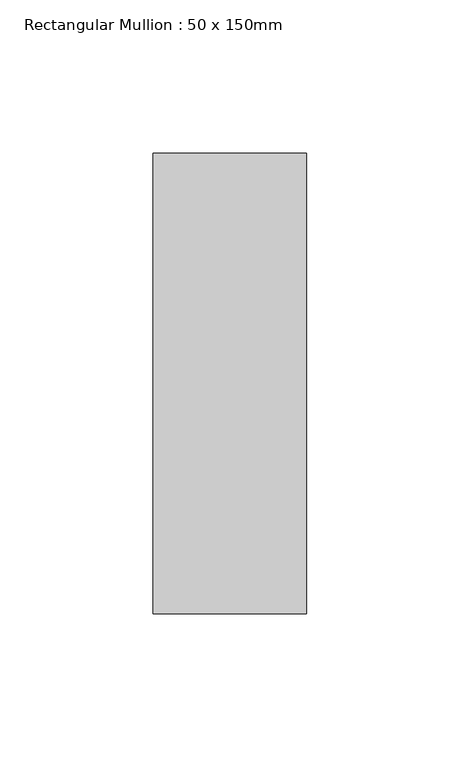
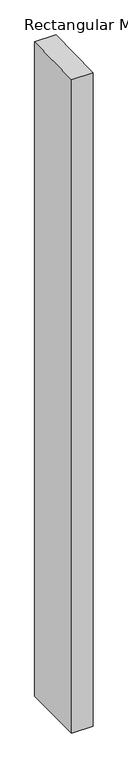
"""IFC4 building model written with IfcOpenShell, lengths in millimetres: member geometry, Rectangular Mullion : 50 x 150mm."""

from ifc_helpers import new_model, si_unit, frame, origin, place, context, project, spatial, polyline, outline, extrude, source, transform, mapped, element, save


def rectangular_mullion_50_x_150mm_30ee9b75(model_context):
    return source(origin(), model_context, "Body", "SweptSolid", [
        extrude(outline(polyline([(-75.0, -1.0811309), (75.0, 1.0811309), (75.0, -1618.2911245), (-75.0, -1618.2911245), (-75.0, -1.0811309)])), frame((-50.0, 0.0, 0.0), z_axis=(1.0, 0.0, 0.0), x_axis=(0.0, 1.0, 0.0)), (0.0, 0.0, 1.0), 50.0),
    ])


if __name__ == "__main__":
    model = new_model("IFC4")
    model_context = context("Model", 3, world=origin())
    ifc_project = project(units=[si_unit("LENGTHUNIT", "METRE", prefix="MILLI")], contexts=[model_context])
    site = spatial("IfcSite", under=ifc_project)
    building = spatial("IfcBuilding", under=site)
    placement = place(None, origin())
    rectangular_mullion_50_x_150mm_shape = rectangular_mullion_50_x_150mm_30ee9b75(model_context)
    element("IfcMember", 1, ObjectType="Rectangular Mullion : 50 x 150mm", at=placement, inside=building, context=model_context, shape_type="MappedRepresentation", body=[
        mapped(rectangular_mullion_50_x_150mm_shape, transform((0.0, 0.0, 0.0), x_axis=(1.0, 0.0, 0.0), y_axis=(0.0, 1.0, 0.0), z_axis=(0.0, 0.0, 1.0))),
    ])
    save(model, "model.ifc")
